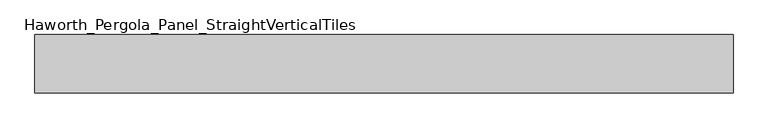
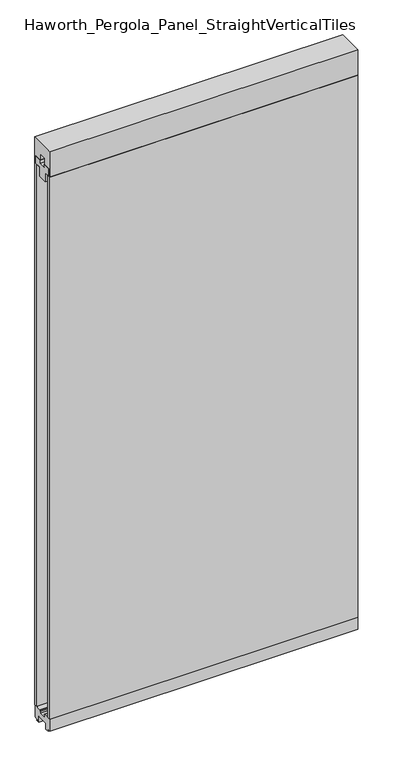
"""IFC4 building model written with IfcOpenShell, lengths in millimetres: furniture geometry, Haworth_Pergola_Panel_StraightVerticalTiles."""

from ifc_helpers import new_model, si_unit, frame, origin, place, context, project, spatial, polyline, outline, extrude, source, transform, mapped, element, save


def haworth_pergola_panel_straightverticaltiles_51a65d98(model_context):
    return source(origin(), model_context, "Body", "SweptSolid", [
        extrude(outline(polyline([(12.7, 2363.5890625), (44.45, 2363.5890625), (44.45, 2331.8390625), (19.05, 2331.8390625), (19.05, 2293.7390625), (-19.05, 2293.7390625), (-19.05, 2331.8390625), (-44.45, 2331.8390625), (-44.45, 2363.5890625), (-12.7, 2363.5890625), (-12.7, 2350.8890625), (12.7, 2350.8890625), (12.7, 2363.5890625)])), frame((-571.5, 0.0, 0.0), z_axis=(1.0, 0.0, 0.0), x_axis=(0.0, 1.0, 0.0)), (0.0, 0.0, 1.0), 1219.2),
        extrude(outline(polyline([(-571.5, 50.8), (647.7, 50.8), (647.7, 38.1), (-571.5, 38.1), (-571.5, 50.8)])), frame((0.0, 0.0, 63.5), z_axis=(0.0, 0.0, 1.0), x_axis=(1.0, 0.0, 0.0)), (0.0, 0.0, 1.0), 2268.3390625),
        extrude(outline(polyline([(-571.5, -38.1), (647.7, -38.1), (647.7, -50.8), (-571.5, -50.8), (-571.5, -38.1)])), frame((0.0, 0.0, 63.5), z_axis=(0.0, 0.0, 1.0), x_axis=(1.0, 0.0, 0.0)), (0.0, 0.0, 1.0), 2268.3390625),
        extrude(outline(polyline([(-50.8, 2438.4), (50.8, 2438.4), (50.8, 2331.8390625), (15.2182948, 2331.8390625), (15.2182948, 2388.7001663), (-15.2182948, 2388.7001663), (-15.2182948, 2331.8390625), (-50.8, 2331.8390625), (-50.8, 2438.4)])), frame((-571.5, 0.0, 0.0), z_axis=(1.0, 0.0, 0.0), x_axis=(0.0, 1.0, 0.0)), (0.0, 0.0, 1.0), 1219.2),
        extrude(outline(polyline([(-16.2000002, 63.5), (-16.5085717, 61.7499999), (-13.3999996, 61.7499999), (-13.3999996, 58.8973461), (-15.4000002, 59.2499999), (-15.4000002, 48.3500004), (15.4000003, 48.3500004), (15.4000003, 59.2499999), (13.3999997, 58.8973461), (13.3999997, 61.7499999), (16.5085718, 61.7499999), (16.2000003, 63.5), (50.0000004, 63.5), (50.0000004, 12.6999985), (40.9499987, 12.6999985), (38.9499981, 10.6999979), (28.9499999, 10.6999979), (28.9499999, 7.6999994), (38.9499981, 7.6999994), (38.9499981, 5.6999988), (23.7499993, 5.6999988), (23.7499993, 31.4500009), (-23.7499992, 31.4500009), (-23.7499992, 5.6999988), (-38.949998, 5.6999988), (-38.949998, 7.6999994), (-28.9499998, 7.6999994), (-28.9499998, 10.6999979), (-38.949998, 10.6999979), (-40.9499986, 12.6999985), (-50.0000003, 12.6999985), (-50.0000003, 63.5), (-16.2000002, 63.5)])), frame((-571.5, 0.0, 0.0), z_axis=(1.0, 0.0, 0.0), x_axis=(0.0, 1.0, 0.0)), (0.0, 0.0, 1.0), 1219.2),
    ])


if __name__ == "__main__":
    model = new_model("IFC4")
    model_context = context("Model", 3, world=origin())
    ifc_project = project(units=[si_unit("LENGTHUNIT", "METRE", prefix="MILLI")], contexts=[model_context])
    site = spatial("IfcSite", under=ifc_project)
    building = spatial("IfcBuilding", under=site)
    placement = place(None, origin())
    haworth_pergola_panel_straightverticaltiles_shape = haworth_pergola_panel_straightverticaltiles_51a65d98(model_context)
    element("IfcFurniture", 1, ObjectType="Haworth_Pergola_Panel_StraightVerticalTiles", at=placement, inside=building, context=model_context, shape_type="MappedRepresentation", body=[
        mapped(haworth_pergola_panel_straightverticaltiles_shape, transform((0.0, 0.0, 0.0), x_axis=(1.0, 0.0, 0.0), y_axis=(0.0, 1.0, 0.0), z_axis=(0.0, 0.0, 1.0))),
    ])
    save(model, "model.ifc")
